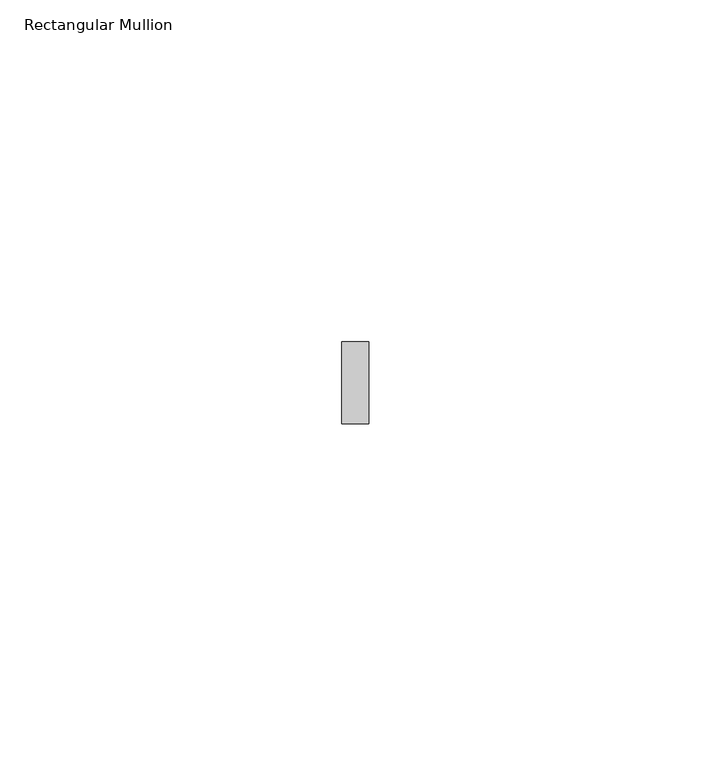
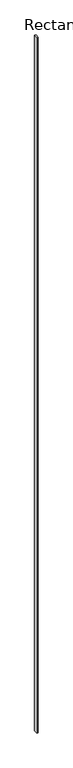
"""IFC4 building model written with IfcOpenShell, lengths in millimetres: member geometry, Rectangular Mullion."""

from ifc_helpers import new_model, si_unit, frame, origin, place, context, project, spatial, polyline, outline, extrude, source, transform, mapped, element, save


def rectangular_mullion_3492d964(model_context):
    return source(origin(), model_context, "Body", "SweptSolid", [
        extrude(outline(polyline([(2.0, 0.0), (2.0, -12.0), (-2.0, -12.0), (-2.0, 0.0), (2.0, 0.0)])), frame((0.0, 0.0, -2239.0), z_axis=(0.0, 0.0, 1.0), x_axis=(1.0, 0.0, 0.0)), (0.0, 0.0, 1.0), 2239.0),
    ])


if __name__ == "__main__":
    model = new_model("IFC4")
    model_context = context("Model", 3, world=origin())
    ifc_project = project(units=[si_unit("LENGTHUNIT", "METRE", prefix="MILLI")], contexts=[model_context])
    site = spatial("IfcSite", under=ifc_project)
    building = spatial("IfcBuilding", under=site)
    placement = place(None, origin())
    rectangular_mullion_shape = rectangular_mullion_3492d964(model_context)
    element("IfcMember", 1, ObjectType="Rectangular Mullion", at=placement, inside=building, context=model_context, shape_type="MappedRepresentation", body=[
        mapped(rectangular_mullion_shape, transform((0.0, 0.0, 0.0), x_axis=(1.0, 0.0, 0.0), y_axis=(0.0, 1.0, 0.0), z_axis=(0.0, 0.0, 1.0))),
    ])
    save(model, "model.ifc")
